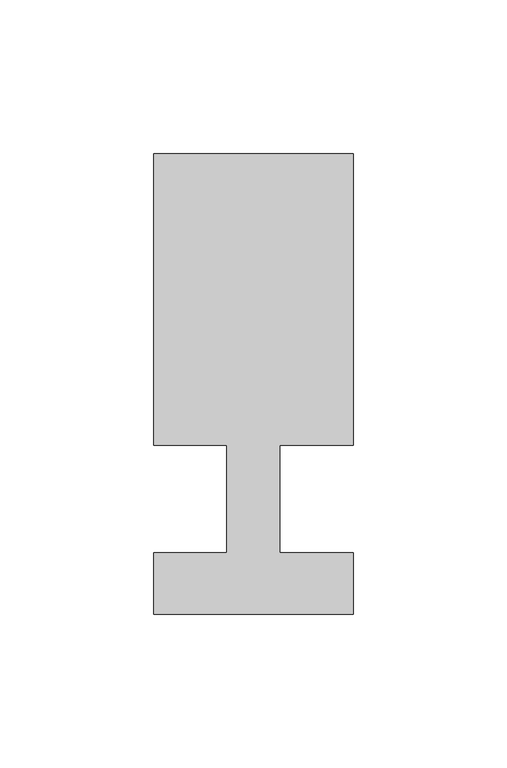
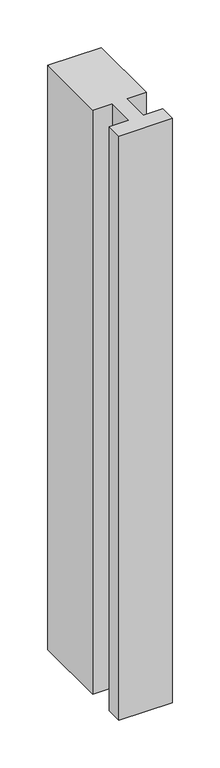
"""IFC4 building model written with IfcOpenShell, lengths in millimetres: member geometry."""

from ifc_helpers import new_model, si_unit, frame, origin, place, context, project, spatial, polyline, outline, extrude, source, transform, mapped, element, save


def member_be522988(model_context):
    return source(origin(), model_context, "Body", "SweptSolid", [
        extrude(outline(polyline([(-32.5, -37.0), (-32.5, -17.0), (-8.6875, -17.0), (-8.6875, 18.0), (-32.5, 18.0), (-32.5, 113.0), (32.5, 113.0), (32.5, 18.0), (8.6875, 18.0), (8.6875, -17.0), (32.5, -17.0), (32.5, -37.0), (-32.5, -37.0)])), frame((0.0, 0.0, -750.0), z_axis=(0.0, 0.0, 1.0), x_axis=(1.0, 0.0, 0.0)), (0.0, 0.0, 1.0), 750.0),
    ])


if __name__ == "__main__":
    model = new_model("IFC4")
    model_context = context("Model", 3, world=origin())
    ifc_project = project(units=[si_unit("LENGTHUNIT", "METRE", prefix="MILLI")], contexts=[model_context])
    site = spatial("IfcSite", under=ifc_project)
    building = spatial("IfcBuilding", under=site)
    placement = place(None, origin())
    member_shape = member_be522988(model_context)
    element("IfcMember", 1, at=placement, inside=building, context=model_context, shape_type="MappedRepresentation", body=[
        mapped(member_shape, transform((0.0, 0.0, 0.0), x_axis=(1.0, 0.0, 0.0), y_axis=(0.0, 1.0, 0.0), z_axis=(0.0, 0.0, 1.0))),
    ])
    save(model, "model.ifc")
